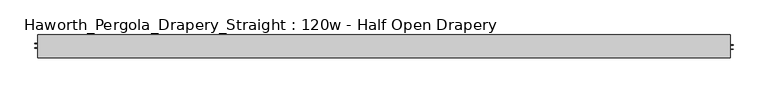
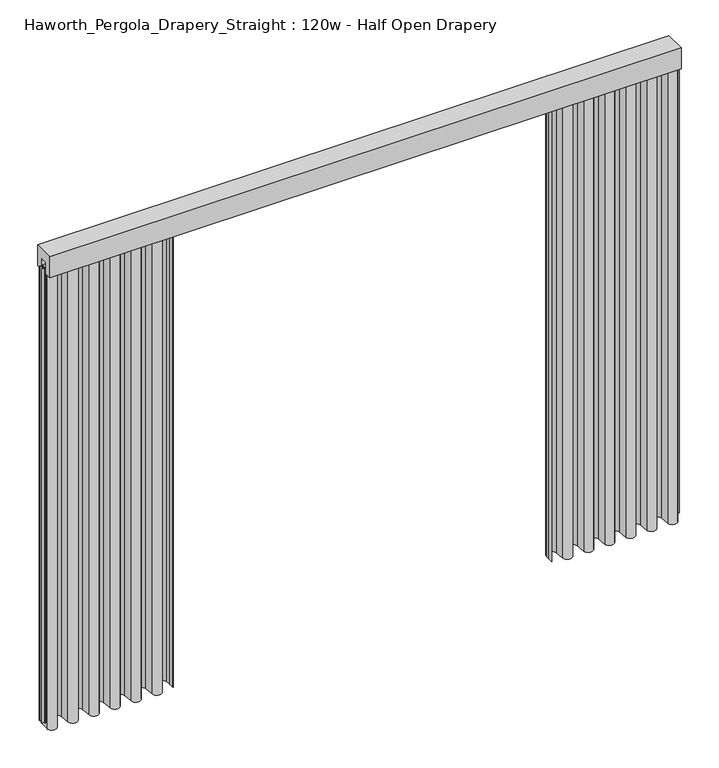
"""IFC4 building model written with IfcOpenShell, lengths in millimetres: furniture geometry, Haworth_Pergola_Drapery_Straight : 120w - Half Open Drapery."""

from ifc_helpers import new_model, si_unit, point, frame, frame_2d, origin, place, context, project, spatial, polyline, circle_curve, trimmed, segment, composite_curve, outline, extrude, source, transform, mapped, element, save


def haworth_pergola_drapery_straight_120w_half_open_drapery_a1f89dab(model_context):
    return source(origin(), model_context, "Body", "SweptSolid", [
        extrude(outline(polyline([(-50.8, 2438.4), (50.8, 2438.4), (50.8, 2331.8390625), (15.2182948, 2331.8390625), (15.2182948, 2388.7001663), (-15.2182948, 2388.7001663), (-15.2182948, 2331.8390625), (-50.8, 2331.8390625), (-50.8, 2438.4)])), frame((-1790.7, 0.0, 0.0), z_axis=(1.0, 0.0, 0.0), x_axis=(0.0, 1.0, 0.0)), (0.0, 0.0, 1.0), 3048.0),
        extrude(outline(composite_curve([segment(trimmed(circle_curve(frame_2d((1231.8970217, -20.9840165)), 23.4029783), [point((1255.3, -20.9840165))], [point((1208.5892377, -23.0927114))], False, "CARTESIAN"), True, "CONTINUOUS"), segment(polyline([(1208.5892377, -23.0927114), (1204.3895802, 23.3268581)]), True, "CONTINUOUS"), segment(trimmed(circle_curve(frame_2d((1181.1, 21.2198101)), 23.3847), [point((1204.3895802, 23.3268581))], [point((1157.8104196, 23.3268558))], True, "CARTESIAN"), True, "CONTINUOUS"), segment(polyline([(1157.8104196, 23.3268558), (1153.6203818, -22.9864352)]), True, "CONTINUOUS"), segment(trimmed(circle_curve(frame_2d((1130.3000023, -20.876603)), 23.415625), [point((1153.6203818, -22.9864352))], [point((1106.9796229, -22.9864375))], False, "CARTESIAN"), True, "CONTINUOUS"), segment(polyline([(1106.9796229, -22.9864375), (1102.8203794, 22.986429)]), True, "CONTINUOUS"), segment(trimmed(circle_curve(frame_2d((1079.5, 20.8765946)), 23.415625), [point((1102.8203794, 22.986429))], [point((1056.1796205, 22.9864268))], True, "CARTESIAN"), True, "CONTINUOUS"), segment(polyline([(1056.1796205, 22.9864268), (1052.0203818, -22.9864354)]), True, "CONTINUOUS"), segment(trimmed(circle_curve(frame_2d((1028.7000023, -20.8766032)), 23.415625), [point((1052.0203818, -22.9864354))], [point((1005.3796229, -22.9864377))], False, "CARTESIAN"), True, "CONTINUOUS"), segment(polyline([(1005.3796229, -22.9864377), (1001.2203794, 22.9864294)]), True, "CONTINUOUS"), segment(trimmed(circle_curve(frame_2d((977.9, 20.876595)), 23.415625), [point((1001.2203794, 22.9864294))], [point((954.5796205, 22.9864271))], True, "CARTESIAN"), True, "CONTINUOUS"), segment(polyline([(954.5796205, 22.9864271), (950.4203818, -22.9864352)]), True, "CONTINUOUS"), segment(trimmed(circle_curve(frame_2d((927.1000023, -20.876603)), 23.415625), [point((950.4203818, -22.9864352))], [point((903.7796229, -22.9864375))], False, "CARTESIAN"), True, "CONTINUOUS"), segment(polyline([(903.7796229, -22.9864375), (899.5895802, 23.3268581)]), True, "CONTINUOUS"), segment(trimmed(circle_curve(frame_2d((876.3, 21.2198101)), 23.3847), [point((899.5895802, 23.3268581))], [point((853.0104196, 23.3268558))], True, "CARTESIAN"), True, "CONTINUOUS"), segment(polyline([(853.0104196, 23.3268558), (848.8203818, -22.9864352)]), True, "CONTINUOUS"), segment(trimmed(circle_curve(frame_2d((825.5000023, -20.876603)), 23.415625), [point((848.8203818, -22.9864352))], [point((802.1796229, -22.9864375))], False, "CARTESIAN"), True, "CONTINUOUS"), segment(polyline([(802.1796229, -22.9864375), (797.9895802, 23.3268581)]), True, "CONTINUOUS"), segment(trimmed(circle_curve(frame_2d((774.7, 21.2198101)), 23.3847), [point((797.9895802, 23.3268581))], [point((751.4104196, 23.3268558))], True, "CARTESIAN"), True, "CONTINUOUS"), segment(polyline([(751.4104196, 23.3268558), (747.2203818, -22.9864352)]), True, "CONTINUOUS"), segment(trimmed(circle_curve(frame_2d((723.9000023, -20.876603)), 23.415625), [point((747.2203818, -22.9864352))], [point((700.5796229, -22.9864375))], False, "CARTESIAN"), True, "CONTINUOUS"), segment(polyline([(700.5796229, -22.9864375), (696.3895802, 23.3268581)]), True, "CONTINUOUS"), segment(trimmed(circle_curve(frame_2d((673.1, 21.2198101)), 23.3847), [point((696.3895802, 23.3268581))], [point((649.8104196, 23.3268558))], True, "CARTESIAN"), True, "CONTINUOUS"), segment(polyline([(649.8104196, 23.3268558), (648.1308594, 4.7623547), (648.1308594, -25.4000007), (647.3371094, -25.4000007), (647.3371094, 4.7981874), (649.0198983, 23.3983756)]), True, "CONTINUOUS"), segment(trimmed(circle_curve(frame_2d((673.1, 21.2198101)), 24.17845), [point((649.0198983, 23.3983756))], [point((697.1801015, 23.3983779))], False, "CARTESIAN"), True, "CONTINUOUS"), segment(polyline([(697.1801015, 23.3983779), (701.3701443, -22.9149177)]), True, "CONTINUOUS"), segment(trimmed(circle_curve(frame_2d((723.9000023, -20.876603)), 22.621875), [point((701.3701443, -22.9149177))], [point((746.4298605, -22.9149155))], True, "CARTESIAN"), True, "CONTINUOUS"), segment(polyline([(746.4298605, -22.9149155), (750.6198983, 23.3983756)]), True, "CONTINUOUS"), segment(trimmed(circle_curve(frame_2d((774.7, 21.2198101)), 24.17845), [point((750.6198983, 23.3983756))], [point((798.7801015, 23.3983779))], False, "CARTESIAN"), True, "CONTINUOUS"), segment(polyline([(798.7801015, 23.3983779), (802.9701443, -22.9149177)]), True, "CONTINUOUS"), segment(trimmed(circle_curve(frame_2d((825.5000023, -20.876603)), 22.621875), [point((802.9701443, -22.9149177))], [point((848.0298605, -22.9149155))], True, "CARTESIAN"), True, "CONTINUOUS"), segment(polyline([(848.0298605, -22.9149155), (852.2198983, 23.3983756)]), True, "CONTINUOUS"), segment(trimmed(circle_curve(frame_2d((876.3, 21.2198101)), 24.17845), [point((852.2198983, 23.3983756))], [point((900.3801015, 23.3983779))], False, "CARTESIAN"), True, "CONTINUOUS"), segment(polyline([(900.3801015, 23.3983779), (904.5701443, -22.9149177)]), True, "CONTINUOUS"), segment(trimmed(circle_curve(frame_2d((927.1000023, -20.876603)), 22.621875), [point((904.5701443, -22.9149177))], [point((949.6298605, -22.9149155))], True, "CARTESIAN"), True, "CONTINUOUS"), segment(polyline([(949.6298605, -22.9149155), (953.7890991, 23.0579469)]), True, "CONTINUOUS"), segment(trimmed(circle_curve(frame_2d((977.9, 20.876595)), 24.209375), [point((953.7890991, 23.0579469))], [point((1002.0109007, 23.0579492))], False, "CARTESIAN"), True, "CONTINUOUS"), segment(polyline([(1002.0109007, 23.0579492), (1006.1701443, -22.9149178)]), True, "CONTINUOUS"), segment(trimmed(circle_curve(frame_2d((1028.7000023, -20.8766032)), 22.621875), [point((1006.1701443, -22.9149178))], [point((1051.2298605, -22.9149157))], True, "CARTESIAN"), True, "CONTINUOUS"), segment(polyline([(1051.2298605, -22.9149157), (1055.3890991, 23.0579465)]), True, "CONTINUOUS"), segment(trimmed(circle_curve(frame_2d((1079.5, 20.8765946)), 24.209375), [point((1055.3890991, 23.0579465))], [point((1103.6109007, 23.0579488))], False, "CARTESIAN"), True, "CONTINUOUS"), segment(polyline([(1103.6109007, 23.0579488), (1107.7701443, -22.9149177)]), True, "CONTINUOUS"), segment(trimmed(circle_curve(frame_2d((1130.3000023, -20.876603)), 22.621875), [point((1107.7701443, -22.9149177))], [point((1152.8298605, -22.9149155))], True, "CARTESIAN"), True, "CONTINUOUS"), segment(polyline([(1152.8298605, -22.9149155), (1157.0198983, 23.3983756)]), True, "CONTINUOUS"), segment(trimmed(circle_curve(frame_2d((1181.1, 21.2198101)), 24.17845), [point((1157.0198983, 23.3983756))], [point((1205.1801015, 23.3983779))], False, "CARTESIAN"), True, "CONTINUOUS"), segment(polyline([(1205.1801015, 23.3983779), (1209.379759, -23.0211916)]), True, "CONTINUOUS"), segment(trimmed(circle_curve(frame_2d((1231.8970217, -20.9840165)), 22.6092283), [point((1209.379759, -23.0211916))], [point((1254.50625, -20.9840165))], True, "CARTESIAN"), True, "CONTINUOUS"), segment(polyline([(1254.50625, -20.9840165), (1254.50625, 25.4000008), (1255.3, 25.4000008), (1255.3, -20.9840165)]), True, "CONTINUOUS")], self_intersect=False)), frame((0.0, 0.0, 12.7), z_axis=(0.0, 0.0, 1.0), x_axis=(1.0, 0.0, 0.0)), (0.0, 0.0, 1.0), 2343.15),
        extrude(outline(composite_curve([segment(polyline([(-1788.7, -20.9840165), (-1788.7, 25.4000008), (-1787.90625, 25.4000008), (-1787.90625, -20.9840165)]), True, "CONTINUOUS"), segment(trimmed(circle_curve(frame_2d((-1765.2970217, -20.9840165)), 22.6092283), [point((-1787.90625, -20.9840165))], [point((-1742.779759, -23.0211916))], True, "CARTESIAN"), True, "CONTINUOUS"), segment(polyline([(-1742.779759, -23.0211916), (-1738.5801015, 23.3983779)]), True, "CONTINUOUS"), segment(trimmed(circle_curve(frame_2d((-1714.5, 21.2198101)), 24.17845), [point((-1738.5801015, 23.3983779))], [point((-1690.4198983, 23.3983756))], False, "CARTESIAN"), True, "CONTINUOUS"), segment(polyline([(-1690.4198983, 23.3983756), (-1686.2298605, -22.9149155)]), True, "CONTINUOUS"), segment(trimmed(circle_curve(frame_2d((-1663.7000023, -20.876603)), 22.621875), [point((-1686.2298605, -22.9149155))], [point((-1641.1701443, -22.9149177))], True, "CARTESIAN"), True, "CONTINUOUS"), segment(polyline([(-1641.1701443, -22.9149177), (-1637.0109007, 23.0579488)]), True, "CONTINUOUS"), segment(trimmed(circle_curve(frame_2d((-1612.9, 20.8765946)), 24.209375), [point((-1637.0109007, 23.0579488))], [point((-1588.7890991, 23.0579465))], False, "CARTESIAN"), True, "CONTINUOUS"), segment(polyline([(-1588.7890991, 23.0579465), (-1584.6298605, -22.9149157)]), True, "CONTINUOUS"), segment(trimmed(circle_curve(frame_2d((-1562.1000023, -20.8766032)), 22.621875), [point((-1584.6298605, -22.9149157))], [point((-1539.5701443, -22.9149178))], True, "CARTESIAN"), True, "CONTINUOUS"), segment(polyline([(-1539.5701443, -22.9149178), (-1535.4109007, 23.0579492)]), True, "CONTINUOUS"), segment(trimmed(circle_curve(frame_2d((-1511.3, 20.876595)), 24.209375), [point((-1535.4109007, 23.0579492))], [point((-1487.1890991, 23.0579469))], False, "CARTESIAN"), True, "CONTINUOUS"), segment(polyline([(-1487.1890991, 23.0579469), (-1483.0298605, -22.9149155)]), True, "CONTINUOUS"), segment(trimmed(circle_curve(frame_2d((-1460.5000023, -20.876603)), 22.621875), [point((-1483.0298605, -22.9149155))], [point((-1437.9701443, -22.9149177))], True, "CARTESIAN"), True, "CONTINUOUS"), segment(polyline([(-1437.9701443, -22.9149177), (-1433.7801015, 23.3983779)]), True, "CONTINUOUS"), segment(trimmed(circle_curve(frame_2d((-1409.7, 21.2198101)), 24.17845), [point((-1433.7801015, 23.3983779))], [point((-1385.6198983, 23.3983756))], False, "CARTESIAN"), True, "CONTINUOUS"), segment(polyline([(-1385.6198983, 23.3983756), (-1381.4298605, -22.9149155)]), True, "CONTINUOUS"), segment(trimmed(circle_curve(frame_2d((-1358.9000023, -20.876603)), 22.621875), [point((-1381.4298605, -22.9149155))], [point((-1336.3701443, -22.9149177))], True, "CARTESIAN"), True, "CONTINUOUS"), segment(polyline([(-1336.3701443, -22.9149177), (-1332.1801015, 23.3983779)]), True, "CONTINUOUS"), segment(trimmed(circle_curve(frame_2d((-1308.1, 21.2198101)), 24.17845), [point((-1332.1801015, 23.3983779))], [point((-1284.0198983, 23.3983756))], False, "CARTESIAN"), True, "CONTINUOUS"), segment(polyline([(-1284.0198983, 23.3983756), (-1279.8298605, -22.9149155)]), True, "CONTINUOUS"), segment(trimmed(circle_curve(frame_2d((-1257.3000023, -20.876603)), 22.621875), [point((-1279.8298605, -22.9149155))], [point((-1234.7701443, -22.9149177))], True, "CARTESIAN"), True, "CONTINUOUS"), segment(polyline([(-1234.7701443, -22.9149177), (-1230.5801015, 23.3983779)]), True, "CONTINUOUS"), segment(trimmed(circle_curve(frame_2d((-1206.5, 21.2198101)), 24.17845), [point((-1230.5801015, 23.3983779))], [point((-1182.4198983, 23.3983756))], False, "CARTESIAN"), True, "CONTINUOUS"), segment(polyline([(-1182.4198983, 23.3983756), (-1180.7371094, 4.7981874), (-1180.7371094, -25.4000007), (-1181.5308594, -25.4000007), (-1181.5308594, 4.7623547), (-1183.2104196, 23.3268558)]), True, "CONTINUOUS"), segment(trimmed(circle_curve(frame_2d((-1206.5, 21.2198101)), 23.3847), [point((-1183.2104196, 23.3268558))], [point((-1229.7895802, 23.3268581))], True, "CARTESIAN"), True, "CONTINUOUS"), segment(polyline([(-1229.7895802, 23.3268581), (-1233.9796229, -22.9864375)]), True, "CONTINUOUS"), segment(trimmed(circle_curve(frame_2d((-1257.3000023, -20.876603)), 23.415625), [point((-1233.9796229, -22.9864375))], [point((-1280.6203818, -22.9864352))], False, "CARTESIAN"), True, "CONTINUOUS"), segment(polyline([(-1280.6203818, -22.9864352), (-1284.8104196, 23.3268558)]), True, "CONTINUOUS"), segment(trimmed(circle_curve(frame_2d((-1308.1, 21.2198101)), 23.3847), [point((-1284.8104196, 23.3268558))], [point((-1331.3895802, 23.3268581))], True, "CARTESIAN"), True, "CONTINUOUS"), segment(polyline([(-1331.3895802, 23.3268581), (-1335.5796229, -22.9864375)]), True, "CONTINUOUS"), segment(trimmed(circle_curve(frame_2d((-1358.9000023, -20.876603)), 23.415625), [point((-1335.5796229, -22.9864375))], [point((-1382.2203818, -22.9864352))], False, "CARTESIAN"), True, "CONTINUOUS"), segment(polyline([(-1382.2203818, -22.9864352), (-1386.4104196, 23.3268558)]), True, "CONTINUOUS"), segment(trimmed(circle_curve(frame_2d((-1409.7, 21.2198101)), 23.3847), [point((-1386.4104196, 23.3268558))], [point((-1432.9895802, 23.3268581))], True, "CARTESIAN"), True, "CONTINUOUS"), segment(polyline([(-1432.9895802, 23.3268581), (-1437.1796229, -22.9864375)]), True, "CONTINUOUS"), segment(trimmed(circle_curve(frame_2d((-1460.5000023, -20.876603)), 23.415625), [point((-1437.1796229, -22.9864375))], [point((-1483.8203818, -22.9864352))], False, "CARTESIAN"), True, "CONTINUOUS"), segment(polyline([(-1483.8203818, -22.9864352), (-1487.9796205, 22.9864271)]), True, "CONTINUOUS"), segment(trimmed(circle_curve(frame_2d((-1511.3, 20.876595)), 23.415625), [point((-1487.9796205, 22.9864271))], [point((-1534.6203794, 22.9864294))], True, "CARTESIAN"), True, "CONTINUOUS"), segment(polyline([(-1534.6203794, 22.9864294), (-1538.7796229, -22.9864377)]), True, "CONTINUOUS"), segment(trimmed(circle_curve(frame_2d((-1562.1000023, -20.8766032)), 23.415625), [point((-1538.7796229, -22.9864377))], [point((-1585.4203818, -22.9864354))], False, "CARTESIAN"), True, "CONTINUOUS"), segment(polyline([(-1585.4203818, -22.9864354), (-1589.5796205, 22.9864268)]), True, "CONTINUOUS"), segment(trimmed(circle_curve(frame_2d((-1612.9, 20.8765946)), 23.415625), [point((-1589.5796205, 22.9864268))], [point((-1636.2203794, 22.986429))], True, "CARTESIAN"), True, "CONTINUOUS"), segment(polyline([(-1636.2203794, 22.986429), (-1640.3796229, -22.9864375)]), True, "CONTINUOUS"), segment(trimmed(circle_curve(frame_2d((-1663.7000023, -20.876603)), 23.415625), [point((-1640.3796229, -22.9864375))], [point((-1687.0203818, -22.9864352))], False, "CARTESIAN"), True, "CONTINUOUS"), segment(polyline([(-1687.0203818, -22.9864352), (-1691.2104196, 23.3268558)]), True, "CONTINUOUS"), segment(trimmed(circle_curve(frame_2d((-1714.5, 21.2198101)), 23.3847), [point((-1691.2104196, 23.3268558))], [point((-1737.7895802, 23.3268581))], True, "CARTESIAN"), True, "CONTINUOUS"), segment(polyline([(-1737.7895802, 23.3268581), (-1741.9892377, -23.0927114)]), True, "CONTINUOUS"), segment(trimmed(circle_curve(frame_2d((-1765.2970217, -20.9840165)), 23.4029783), [point((-1741.9892377, -23.0927114))], [point((-1788.7, -20.9840165))], False, "CARTESIAN"), True, "CONTINUOUS")], self_intersect=False)), frame((0.0, 0.0, 12.7), z_axis=(0.0, 0.0, 1.0), x_axis=(1.0, 0.0, 0.0)), (0.0, 0.0, 1.0), 2343.15),
        extrude(outline(polyline([(-1790.7, -15.2249995), (-1790.7, 15.2249996), (1257.3, 15.2249996), (1257.3, -15.2249995), (-1790.7, -15.2249995)])), frame((0.0, 0.0, 2355.85), z_axis=(0.0, 0.0, 1.0), x_axis=(1.0, 0.0, 0.0)), (0.0, 0.0, 1.0), 1.7500385),
        extrude(outline(polyline([(1257.3, -15.2249996), (1257.3, 15.2249995), (1259.0500001, 15.2249995), (1259.0500001, 7.8249998), (1270.6999997, 7.8249998), (1270.6999997, 4.8250001), (1259.0500001, 4.8250001), (1259.0500001, -11.8250005), (1270.5499997, -11.8250005), (1270.5499997, -13.3999997), (1259.0500001, -13.3999997), (1259.0500001, -15.2249996), (1257.3, -15.2249996)])), frame((0.0, 0.0, 38.1), z_axis=(0.0, 0.0, 1.0), x_axis=(1.0, 0.0, 0.0)), (0.0, 0.0, 1.0), 2317.75),
        extrude(outline(polyline([(-1790.7, 15.2249996), (-1790.7, -15.2249995), (-1792.4500001, -15.2249995), (-1792.4500001, -7.8249998), (-1804.0999997, -7.8249998), (-1804.0999997, -4.8250001), (-1792.4500001, -4.8250001), (-1792.4500001, 11.8250005), (-1803.9499997, 11.8250005), (-1803.9499997, 13.3999997), (-1792.4500001, 13.3999997), (-1792.4500001, 15.2249996), (-1790.7, 15.2249996)])), frame((0.0, 0.0, 38.1), z_axis=(0.0, 0.0, 1.0), x_axis=(1.0, 0.0, 0.0)), (0.0, 0.0, 1.0), 2317.75),
        extrude(outline(composite_curve([segment(trimmed(circle_curve(frame_2d((-266.7, 0.0)), 6.0), [point((-272.7, 0.0))], [point((-260.7, 0.0))], False, "CARTESIAN"), True, "CONTINUOUS"), segment(trimmed(circle_curve(frame_2d((-266.7, 0.0)), 6.0), [point((-260.7, 0.0))], [point((-272.7, 0.0))], False, "CARTESIAN"), True, "CONTINUOUS")], self_intersect=False)), frame((0.0, 0.0, 2319.1390625), z_axis=(0.0, 0.0, 1.0), x_axis=(1.0, 0.0, 0.0)), (0.0, 0.0, 1.0), 36.7109375),
    ])


if __name__ == "__main__":
    model = new_model("IFC4")
    model_context = context("Model", 3, world=origin())
    ifc_project = project(units=[si_unit("LENGTHUNIT", "METRE", prefix="MILLI")], contexts=[model_context])
    site = spatial("IfcSite", under=ifc_project)
    building = spatial("IfcBuilding", under=site)
    placement = place(None, origin())
    haworth_pergola_drapery_straight_120w_half_open_drapery_shape = haworth_pergola_drapery_straight_120w_half_open_drapery_a1f89dab(model_context)
    element("IfcFurniture", 1, ObjectType="Haworth_Pergola_Drapery_Straight : 120w - Half Open Drapery", at=placement, inside=building, context=model_context, shape_type="MappedRepresentation", body=[
        mapped(haworth_pergola_drapery_straight_120w_half_open_drapery_shape, transform((0.0, 0.0, 0.0), x_axis=(1.0, 0.0, 0.0), y_axis=(0.0, 1.0, 0.0), z_axis=(0.0, 0.0, 1.0))),
    ])
    save(model, "model.ifc")
